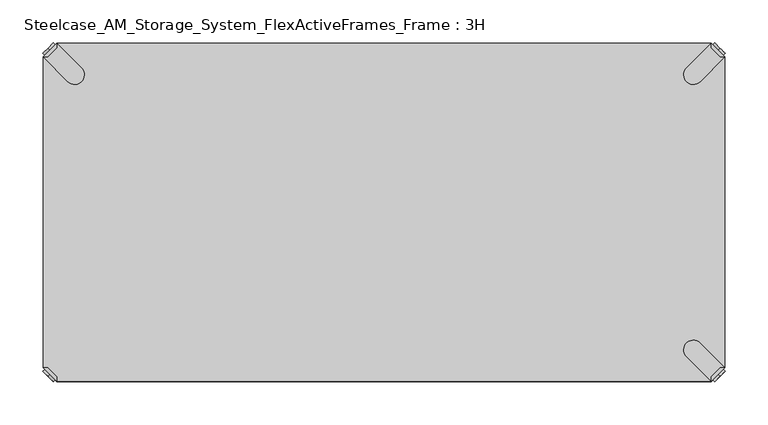
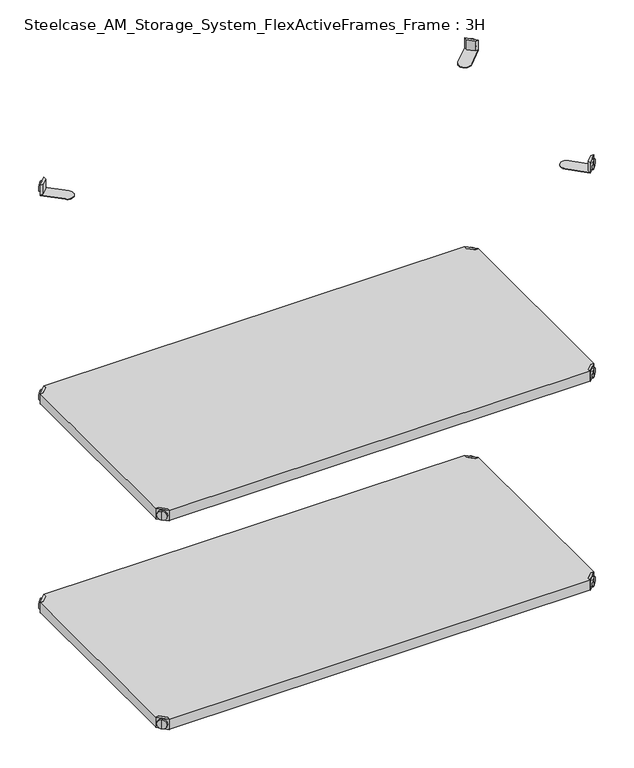
"""IFC4 building model written with IfcOpenShell, lengths in millimetres: furniture geometry, Steelcase_AM_Storage_System_FlexActiveFrames_Frame : 3H."""

from ifc_helpers import new_model, si_unit, frame, origin, place, context, project, spatial, polyline, circle_curve, outline, extrude, source, transform, mapped, element, save
from ifc_brep_helpers import plane_surface, cylinder_surface, advanced_brep


def steelcase_am_storage_system_flexactiveframes_frame_3h_a731c9b2(model_context):
    return source(origin(), model_context, "Body", "SolidModel", [
        advanced_brep(
        [(789.0398449, 10.9601551, 498.5), (789.0398449, 10.9601551, 515.5), (789.0398449, 10.9601551, 507.0), (791.1611652, 8.8388348, 498.5), (791.1611652, 8.8388348, 515.5), (791.1611652, 8.8388348, 507.0)],
        [
            (0, 1, circle_curve(frame((789.0398449, 10.9601551, 507.0), z_axis=(-0.7071067811865556, 0.7071067811865395, 0.0), x_axis=(0.0, 0.0, 1.0)), 8.5)),
            (1, 2),
            (2, 0),
            (1, 0, circle_curve(frame((789.0398449, 10.9601551, 507.0), z_axis=(-0.7071067811865556, 0.7071067811865395, 0.0), x_axis=(0.0, 0.0, 1.0)), 8.5)),
            (3, 4, circle_curve(frame((791.1611652, 8.8388348, 507.0), z_axis=(-0.7071067811865556, 0.7071067811865395, 0.0), x_axis=(0.0, 0.0, 1.0)), 8.5)),
            (4, 1),
            (0, 3),
            (4, 3, circle_curve(frame((791.1611652, 8.8388348, 507.0), z_axis=(-0.7071067811865556, 0.7071067811865395, 0.0), x_axis=(0.0, 0.0, 1.0)), 8.5)),
            (5, 4),
            (3, 5),
        ],
        [
            plane_surface(frame((789.0398449, 10.9601551, 507.0), z_axis=(-0.7071067811865552, 0.7071067811865399, 0.0), x_axis=(0.0, 0.0, 1.0))),
            cylinder_surface(frame((791.1611652, 8.8388348, 507.0), z_axis=(0.7071067811865556, -0.7071067811865395, 0.0), x_axis=(0.0, 0.0, 1.0)), 8.5),
            plane_surface(frame((791.1611652, 8.8388348, 507.0), z_axis=(0.7071067811865552, -0.7071067811865399, 0.0), x_axis=(0.0, 0.0, 1.0))),
        ],
        [
            (0, [[1, 2, 3]]),
            (0, [[4, -3, -2]]),
            (1, [[5, 6, -1, 7]]),
            (1, [[8, -7, -4, -6]]),
            (2, [[9, -5, 10]]),
            (2, [[-10, -8, -9]]),
        ],
    ),
        advanced_brep(
        [(781.0796898, 3.0, 517.0), (797.0, 18.9203102, 517.0), (791.3431458, 18.9203102, 517.0), (781.0796898, 8.6568542, 517.0), (781.0796898, 3.0, 498.0), (781.0796898, 3.0, 497.0), (797.0, 18.9203102, 497.0), (797.0, 18.9203102, 498.0), (791.3431458, 18.9203102, 498.0), (781.0796898, 8.6568542, 498.0), (768.1906025, 47.7297077, 498.0), (752.2702923, 31.8093975, 498.0), (752.2702923, 31.8093975, 497.0), (768.1906025, 47.7297077, 497.0)],
        [
            (0, 1),
            (1, 2),
            (2, 3),
            (3, 0),
            (0, 4),
            (4, 5),
            (5, 6),
            (6, 7),
            (7, 1),
            (2, 8),
            (8, 9),
            (9, 3),
            (9, 4),
            (7, 8),
            (7, 10),
            (10, 11, circle_curve(frame((760.2304474, 39.7695526, 498.0), z_axis=(0.0, 0.0, 1.0), x_axis=(-1.0, 0.0, 0.0)), 11.2573593)),
            (11, 4),
            (5, 12),
            (12, 13, circle_curve(frame((760.2304474, 39.7695526, 497.0), z_axis=(0.0, 0.0, -1.0), x_axis=(-1.0, 0.0, 0.0)), 11.2573593)),
            (13, 6),
            (13, 10),
            (12, 11),
        ],
        [
            plane_surface(frame((838.8756299, 60.7959401, 517.0), z_axis=(0.0, 0.0, 1.0000000000000002), x_axis=(0.7071067811865465, 0.7071067811865487, 0.0))),
            plane_surface(frame((781.0796898, 3.0, 517.0), z_axis=(0.7071067811865487, -0.7071067811865465, 0.0), x_axis=(0.0, 0.0, -1.0))),
            plane_surface(frame((791.3431458, 18.9203102, 517.0), z_axis=(-0.7071067811865573, 0.7071067811865377, 0.0), x_axis=(0.0, 0.0, -1.0))),
            plane_surface(frame((781.0796898, 8.6568542, 517.0), z_axis=(-1.0, 0.0, 0.0), x_axis=(0.0, 0.0, -1.0))),
            plane_surface(frame((797.0, 18.9203102, 517.0), z_axis=(0.0, 1.0, 0.0), x_axis=(0.0, 0.0, -1.0))),
            plane_surface(frame((797.0, 18.9203102, 498.0), z_axis=(0.0, 0.0, 1.0), x_axis=(0.7071067811865392, 0.7071067811865558, 0.0))),
            plane_surface(frame((797.0, 18.9203102, 497.0), z_axis=(0.0, 0.0, -1.0), x_axis=(-0.7071067811865392, -0.7071067811865558, 0.0))),
            plane_surface(frame((797.0, 18.9203102, 498.0), z_axis=(0.7071067811865399, 0.7071067811865552, 0.0), x_axis=(0.0, 0.0, -1.0))),
            cylinder_surface(frame((760.2304474, 39.7695526, 497.0), z_axis=(0.0, 0.0, 1.0), x_axis=(-1.0, 0.0, 0.0)), 11.2573593),
            plane_surface(frame((752.2702923, 31.8093975, 498.0), z_axis=(-0.7071067811865388, -0.7071067811865563, 0.0), x_axis=(0.0, 0.0, -1.0))),
        ],
        [
            (0, [[1, 2, 3, 4]]),
            (1, [[-1, 5, 6, 7, 8, 9]]),
            (2, [[-3, 10, 11, 12]]),
            (3, [[-4, -12, 13, -5]]),
            (4, [[-2, -9, 14, -10]]),
            (5, [[15, 16, 17, -13, -11, -14]]),
            (6, [[18, 19, 20, -7]]),
            (7, [[-15, -8, -20, 21]]),
            (8, [[-16, -21, -19, 22]]),
            (9, [[-17, -22, -18, -6]]),
        ],
    ),
        advanced_brep(
        [(789.0398449, 389.0398449, 498.5), (789.0398449, 389.0398449, 507.0), (789.0398449, 389.0398449, 515.5), (791.1611652, 391.1611652, 498.5), (791.1611652, 391.1611652, 515.5), (791.1611652, 391.1611652, 507.0)],
        [
            (0, 1),
            (1, 2),
            (2, 0, circle_curve(frame((789.0398449, 389.0398449, 507.0), z_axis=(-0.7071067811865509, -0.7071067811865441, 0.0), x_axis=(0.0, 0.0, 1.0)), 8.5)),
            (0, 2, circle_curve(frame((789.0398449, 389.0398449, 507.0), z_axis=(-0.7071067811865509, -0.7071067811865441, 0.0), x_axis=(0.0, 0.0, 1.0)), 8.5)),
            (3, 0),
            (2, 4),
            (4, 3, circle_curve(frame((791.1611652, 391.1611652, 507.0), z_axis=(-0.7071067811865509, -0.7071067811865441, 0.0), x_axis=(0.0, 0.0, 1.0)), 8.5)),
            (3, 4, circle_curve(frame((791.1611652, 391.1611652, 507.0), z_axis=(-0.7071067811865509, -0.7071067811865441, 0.0), x_axis=(0.0, 0.0, 1.0)), 8.5)),
            (5, 3),
            (4, 5),
        ],
        [
            plane_surface(frame((789.0398449, 389.0398449, 507.0), z_axis=(-0.7071067811865506, -0.7071067811865446, 0.0), x_axis=(0.0, 0.0, 1.0))),
            cylinder_surface(frame((791.1611652, 391.1611652, 507.0), z_axis=(0.7071067811865509, 0.7071067811865441, 0.0), x_axis=(0.0, 0.0, 1.0)), 8.5),
            plane_surface(frame((791.1611652, 391.1611652, 507.0), z_axis=(0.7071067811865506, 0.7071067811865446, 0.0), x_axis=(0.0, 0.0, 1.0))),
        ],
        [
            (0, [[1, 2, 3]]),
            (0, [[-2, -1, 4]]),
            (1, [[5, -3, 6, 7]]),
            (1, [[-6, -4, -5, 8]]),
            (2, [[9, -7, 10]]),
            (2, [[-10, -8, -9]]),
        ],
    ),
        advanced_brep(
        [(781.0796898, 397.0, 517.0), (781.0796898, 391.3431458, 517.0), (791.3431458, 381.0796898, 517.0), (797.0, 381.0796898, 517.0), (797.0, 381.0796898, 498.0), (797.0, 381.0796898, 497.0), (781.0796898, 397.0, 497.0), (781.0796898, 397.0, 498.0), (781.0796898, 391.3431458, 498.0), (791.3431458, 381.0796898, 498.0), (752.2702923, 368.1906025, 498.0), (768.1906025, 352.2702923, 498.0), (768.1906025, 352.2702923, 497.0), (752.2702923, 368.1906025, 497.0)],
        [
            (0, 1),
            (1, 2),
            (2, 3),
            (3, 0),
            (3, 4),
            (4, 5),
            (5, 6),
            (6, 7),
            (7, 0),
            (1, 8),
            (8, 9),
            (9, 2),
            (7, 8),
            (9, 4),
            (7, 10),
            (10, 11, circle_curve(frame((760.2304474, 360.2304474, 498.0), z_axis=(0.0, 0.0, 1.0), x_axis=(-1.0, 0.0, 0.0)), 11.2573593)),
            (11, 4),
            (5, 12),
            (12, 13, circle_curve(frame((760.2304474, 360.2304474, 497.0), z_axis=(0.0, 0.0, -1.0), x_axis=(-1.0, 0.0, 0.0)), 11.2573593)),
            (13, 6),
            (11, 12),
            (10, 13),
        ],
        [
            plane_surface(frame((838.8756299, 339.2040599, 517.0), z_axis=(0.0, 0.0, 1.0000000000000002), x_axis=(0.7071067811865511, -0.707106781186544, 0.0))),
            plane_surface(frame((781.0796898, 397.0, 517.0), z_axis=(0.707106781186544, 0.7071067811865511, 0.0), x_axis=(0.0, 0.0, -1.0))),
            plane_surface(frame((791.3431458, 381.0796898, 517.0), z_axis=(-0.7071067811865527, -0.7071067811865424, 0.0), x_axis=(0.0, 0.0, -1.0))),
            plane_surface(frame((781.0796898, 391.3431458, 517.0), z_axis=(-1.0, 0.0, 0.0), x_axis=(0.0, 0.0, -1.0))),
            plane_surface(frame((797.0, 381.0796898, 517.0), z_axis=(0.0, -1.0, 0.0), x_axis=(0.0, 0.0, -1.0))),
            plane_surface(frame((797.0, 381.0796898, 498.0), z_axis=(0.0, 0.0, 1.0), x_axis=(0.7071067811865439, -0.7071067811865511, 0.0))),
            plane_surface(frame((797.0, 381.0796898, 497.0), z_axis=(0.0, 0.0, -1.0), x_axis=(-0.7071067811865439, 0.7071067811865511, 0.0))),
            plane_surface(frame((797.0, 381.0796898, 498.0), z_axis=(0.7071067811865446, -0.7071067811865506, 0.0), x_axis=(0.0, 0.0, -1.0))),
            cylinder_surface(frame((760.2304474, 360.2304474, 497.0), z_axis=(0.0, 0.0, 1.0), x_axis=(-1.0, 0.0, 0.0)), 11.2573593),
            plane_surface(frame((752.2702923, 368.1906025, 498.0), z_axis=(-0.7071067811865435, 0.7071067811865517, 0.0), x_axis=(0.0, 0.0, -1.0))),
        ],
        [
            (0, [[1, 2, 3, 4]]),
            (1, [[5, 6, 7, 8, 9, -4]]),
            (2, [[10, 11, 12, -2]]),
            (3, [[-9, 13, -10, -1]]),
            (4, [[-12, 14, -5, -3]]),
            (5, [[-14, -11, -13, 15, 16, 17]]),
            (6, [[-7, 18, 19, 20]]),
            (7, [[21, -18, -6, -17]]),
            (8, [[22, -19, -21, -16]]),
            (9, [[-8, -20, -22, -15]]),
        ],
    ),
        advanced_brep(
        [(10.9601551, 389.0398449, 498.5), (10.9601551, 389.0398449, 515.5), (10.9601551, 389.0398449, 507.0), (8.8388348, 391.1611652, 498.5), (8.8388348, 391.1611652, 515.5), (8.8388348, 391.1611652, 507.0)],
        [
            (0, 1, circle_curve(frame((10.9601551, 389.0398449, 507.0), z_axis=(0.7071067811865509, -0.7071067811865441, 0.0), x_axis=(0.0, 0.0, 1.0)), 8.5)),
            (1, 2),
            (2, 0),
            (1, 0, circle_curve(frame((10.9601551, 389.0398449, 507.0), z_axis=(0.7071067811865509, -0.7071067811865441, 0.0), x_axis=(0.0, 0.0, 1.0)), 8.5)),
            (3, 4, circle_curve(frame((8.8388348, 391.1611652, 507.0), z_axis=(0.7071067811865509, -0.7071067811865441, 0.0), x_axis=(0.0, 0.0, 1.0)), 8.5)),
            (4, 1),
            (0, 3),
            (4, 3, circle_curve(frame((8.8388348, 391.1611652, 507.0), z_axis=(0.7071067811865509, -0.7071067811865441, 0.0), x_axis=(0.0, 0.0, 1.0)), 8.5)),
            (5, 4),
            (3, 5),
        ],
        [
            plane_surface(frame((10.9601551, 389.0398449, 507.0), z_axis=(0.7071067811865506, -0.7071067811865446, 0.0), x_axis=(0.0, 0.0, 1.0))),
            cylinder_surface(frame((8.8388348, 391.1611652, 507.0), z_axis=(-0.7071067811865509, 0.7071067811865441, 0.0), x_axis=(0.0, 0.0, 1.0)), 8.5),
            plane_surface(frame((8.8388348, 391.1611652, 507.0), z_axis=(-0.7071067811865506, 0.7071067811865446, 0.0), x_axis=(0.0, 0.0, 1.0))),
        ],
        [
            (0, [[1, 2, 3]]),
            (0, [[4, -3, -2]]),
            (1, [[5, 6, -1, 7]]),
            (1, [[8, -7, -4, -6]]),
            (2, [[9, -5, 10]]),
            (2, [[-10, -8, -9]]),
        ],
    ),
        advanced_brep(
        [(18.9203102, 397.0, 517.0), (3.0, 381.0796898, 517.0), (8.6568542, 381.0796898, 517.0), (18.9203102, 391.3431458, 517.0), (18.9203102, 397.0, 498.0), (18.9203102, 397.0, 497.0), (3.0, 381.0796898, 497.0), (3.0, 381.0796898, 498.0), (8.6568542, 381.0796898, 498.0), (18.9203102, 391.3431458, 498.0), (31.8093975, 352.2702923, 498.0), (47.7297077, 368.1906025, 498.0), (47.7297077, 368.1906025, 497.0), (31.8093975, 352.2702923, 497.0)],
        [
            (0, 1),
            (1, 2),
            (2, 3),
            (3, 0),
            (0, 4),
            (4, 5),
            (5, 6),
            (6, 7),
            (7, 1),
            (2, 8),
            (8, 9),
            (9, 3),
            (9, 4),
            (7, 8),
            (7, 10),
            (10, 11, circle_curve(frame((39.7695526, 360.2304474, 498.0), z_axis=(0.0, 0.0, 1.0), x_axis=(1.0, 0.0, 0.0)), 11.2573593)),
            (11, 4),
            (5, 12),
            (12, 13, circle_curve(frame((39.7695526, 360.2304474, 497.0), z_axis=(0.0, 0.0, -1.0), x_axis=(1.0, 0.0, 0.0)), 11.2573593)),
            (13, 6),
            (13, 10),
            (12, 11),
        ],
        [
            plane_surface(frame((-38.8756299, 339.2040599, 517.0), z_axis=(0.0, 0.0, 1.0000000000000002), x_axis=(-0.7071067811865511, -0.707106781186544, 0.0))),
            plane_surface(frame((18.9203102, 397.0, 517.0), z_axis=(-0.707106781186544, 0.7071067811865511, 0.0), x_axis=(0.0, 0.0, -1.0))),
            plane_surface(frame((8.6568542, 381.0796898, 517.0), z_axis=(0.7071067811865527, -0.7071067811865424, 0.0), x_axis=(0.0, 0.0, -1.0))),
            plane_surface(frame((18.9203102, 391.3431458, 517.0), z_axis=(1.0, 0.0, 0.0), x_axis=(0.0, 0.0, -1.0))),
            plane_surface(frame((3.0, 381.0796898, 517.0), z_axis=(0.0, -1.0, 0.0), x_axis=(0.0, 0.0, -1.0))),
            plane_surface(frame((3.0, 381.0796898, 498.0), z_axis=(0.0, 0.0, 1.0), x_axis=(-0.7071067811865439, -0.7071067811865511, 0.0))),
            plane_surface(frame((3.0, 381.0796898, 497.0), z_axis=(0.0, 0.0, -1.0), x_axis=(0.7071067811865439, 0.7071067811865511, 0.0))),
            plane_surface(frame((3.0, 381.0796898, 498.0), z_axis=(-0.7071067811865446, -0.7071067811865506, 0.0), x_axis=(0.0, 0.0, -1.0))),
            cylinder_surface(frame((39.7695526, 360.2304474, 497.0), z_axis=(0.0, 0.0, 1.0), x_axis=(1.0, 0.0, 0.0)), 11.2573593),
            plane_surface(frame((47.7297077, 368.1906025, 498.0), z_axis=(0.7071067811865435, 0.7071067811865517, 0.0), x_axis=(0.0, 0.0, -1.0))),
        ],
        [
            (0, [[1, 2, 3, 4]]),
            (1, [[-1, 5, 6, 7, 8, 9]]),
            (2, [[-3, 10, 11, 12]]),
            (3, [[-4, -12, 13, -5]]),
            (4, [[-2, -9, 14, -10]]),
            (5, [[15, 16, 17, -13, -11, -14]]),
            (6, [[18, 19, 20, -7]]),
            (7, [[-15, -8, -20, 21]]),
            (8, [[-16, -21, -19, 22]]),
            (9, [[-17, -22, -18, -6]]),
        ],
    ),
        advanced_brep(
        [(10.9601551, 10.9601551, 498.5), (10.9601551, 10.9601551, 507.0), (10.9601551, 10.9601551, 515.5), (8.8388348, 8.8388348, 498.5), (8.8388348, 8.8388348, 515.5), (8.8388348, 8.8388348, 507.0)],
        [
            (0, 1),
            (1, 2),
            (2, 0, circle_curve(frame((10.9601551, 10.9601551, 507.0), z_axis=(0.7071067811865464, 0.7071067811865487, 0.0), x_axis=(0.0, 0.0, 1.0)), 8.5)),
            (0, 2, circle_curve(frame((10.9601551, 10.9601551, 507.0), z_axis=(0.7071067811865464, 0.7071067811865487, 0.0), x_axis=(0.0, 0.0, 1.0)), 8.5)),
            (3, 0),
            (2, 4),
            (4, 3, circle_curve(frame((8.8388348, 8.8388348, 507.0), z_axis=(0.7071067811865464, 0.7071067811865487, 0.0), x_axis=(0.0, 0.0, 1.0)), 8.5)),
            (3, 4, circle_curve(frame((8.8388348, 8.8388348, 507.0), z_axis=(0.7071067811865464, 0.7071067811865487, 0.0), x_axis=(0.0, 0.0, 1.0)), 8.5)),
            (5, 3),
            (4, 5),
        ],
        [
            plane_surface(frame((10.9601551, 10.9601551, 507.0), z_axis=(0.707106781186546, 0.7071067811865491, 0.0), x_axis=(0.0, 0.0, 1.0))),
            cylinder_surface(frame((8.8388348, 8.8388348, 507.0), z_axis=(-0.7071067811865464, -0.7071067811865487, 0.0), x_axis=(0.0, 0.0, 1.0)), 8.5),
            plane_surface(frame((8.8388348, 8.8388348, 507.0), z_axis=(-0.707106781186546, -0.7071067811865491, 0.0), x_axis=(0.0, 0.0, 1.0))),
        ],
        [
            (0, [[1, 2, 3]]),
            (0, [[-2, -1, 4]]),
            (1, [[5, -3, 6, 7]]),
            (1, [[-6, -4, -5, 8]]),
            (2, [[9, -7, 10]]),
            (2, [[-10, -8, -9]]),
        ],
    ),
        advanced_brep(
        [(18.9203102, 3.0, 517.0), (18.9203102, 8.6568542, 517.0), (8.6568542, 18.9203102, 517.0), (3.0, 18.9203102, 517.0), (3.0, 18.9203102, 498.0), (3.0, 18.9203102, 497.0), (18.9203102, 3.0, 497.0), (18.9203102, 3.0, 498.0), (18.9203102, 8.6568542, 498.0), (8.6568542, 18.9203102, 498.0), (47.7297077, 31.8093975, 498.0), (31.8093975, 47.7297077, 498.0), (31.8093975, 47.7297077, 497.0), (47.7297077, 31.8093975, 497.0)],
        [
            (0, 1),
            (1, 2),
            (2, 3),
            (3, 0),
            (3, 4),
            (4, 5),
            (5, 6),
            (6, 7),
            (7, 0),
            (1, 8),
            (8, 9),
            (9, 2),
            (7, 8),
            (9, 4),
            (7, 10),
            (10, 11, circle_curve(frame((39.7695526, 39.7695526, 498.0), z_axis=(0.0, 0.0, 1.0), x_axis=(1.0, 0.0, 0.0)), 11.2573593)),
            (11, 4),
            (5, 12),
            (12, 13, circle_curve(frame((39.7695526, 39.7695526, 497.0), z_axis=(0.0, 0.0, -1.0), x_axis=(1.0, 0.0, 0.0)), 11.2573593)),
            (13, 6),
            (11, 12),
            (10, 13),
        ],
        [
            plane_surface(frame((-38.8756299, 60.7959401, 517.0), z_axis=(0.0, 0.0, 1.0000000000000002), x_axis=(-0.7071067811865557, 0.7071067811865395, 0.0))),
            plane_surface(frame((18.9203102, 3.0, 517.0), z_axis=(-0.7071067811865395, -0.7071067811865557, 0.0), x_axis=(0.0, 0.0, -1.0))),
            plane_surface(frame((8.6568542, 18.9203102, 517.0), z_axis=(0.7071067811865481, 0.7071067811865469, 0.0), x_axis=(0.0, 0.0, -1.0))),
            plane_surface(frame((18.9203102, 8.6568542, 517.0), z_axis=(1.0, 0.0, 0.0), x_axis=(0.0, 0.0, -1.0))),
            plane_surface(frame((3.0, 18.9203102, 517.0), z_axis=(0.0, 1.0, 0.0), x_axis=(0.0, 0.0, -1.0))),
            plane_surface(frame((3.0, 18.9203102, 498.0), z_axis=(0.0, 0.0, 1.0), x_axis=(-0.7071067811865485, 0.7071067811865466, 0.0))),
            plane_surface(frame((3.0, 18.9203102, 497.0), z_axis=(0.0, 0.0, -1.0), x_axis=(0.7071067811865485, -0.7071067811865466, 0.0))),
            plane_surface(frame((3.0, 18.9203102, 498.0), z_axis=(-0.7071067811865491, 0.707106781186546, 0.0), x_axis=(0.0, 0.0, -1.0))),
            cylinder_surface(frame((39.7695526, 39.7695526, 497.0), z_axis=(0.0, 0.0, 1.0), x_axis=(1.0, 0.0, 0.0)), 11.2573593),
            plane_surface(frame((47.7297077, 31.8093975, 498.0), z_axis=(0.707106781186548, -0.7071067811865471, 0.0), x_axis=(0.0, 0.0, -1.0))),
        ],
        [
            (0, [[1, 2, 3, 4]]),
            (1, [[5, 6, 7, 8, 9, -4]]),
            (2, [[10, 11, 12, -2]]),
            (3, [[-9, 13, -10, -1]]),
            (4, [[-12, 14, -5, -3]]),
            (5, [[-14, -11, -13, 15, 16, 17]]),
            (6, [[-7, 18, 19, 20]]),
            (7, [[21, -18, -6, -17]]),
            (8, [[22, -19, -21, -16]]),
            (9, [[-8, -20, -22, -15]]),
        ],
    ),
        extrude(outline(polyline([(781.0796898, 3.0), (18.9203102, 3.0), (18.9203102, 8.6568542), (8.6568542, 18.9203102), (3.0, 18.9203102), (3.0, 381.0796898), (8.6568542, 381.0796898), (18.9203102, 391.3431458), (18.9203102, 397.0), (781.0796898, 397.0), (781.0796898, 391.3431458), (791.3431458, 381.0796898), (797.0, 381.0796898), (797.0, 18.9203102), (791.3431458, 18.9203102), (781.0796898, 8.6568542), (781.0796898, 3.0)])), frame((0.0, 0.0, 498.0), z_axis=(0.0, 0.0, 1.0), x_axis=(1.0, 0.0, 0.0)), (0.0, 0.0, 1.0), 19.0),
        advanced_brep(
        [(789.0398449, 10.9601551, 898.5), (789.0398449, 10.9601551, 915.5), (789.0398449, 10.9601551, 907.0), (791.1611652, 8.8388348, 898.5), (791.1611652, 8.8388348, 915.5), (791.1611652, 8.8388348, 907.0)],
        [
            (0, 1, circle_curve(frame((789.0398449, 10.9601551, 907.0), z_axis=(-0.7071067811865556, 0.7071067811865395, 0.0), x_axis=(0.0, 0.0, 1.0)), 8.5)),
            (1, 2),
            (2, 0),
            (1, 0, circle_curve(frame((789.0398449, 10.9601551, 907.0), z_axis=(-0.7071067811865556, 0.7071067811865395, 0.0), x_axis=(0.0, 0.0, 1.0)), 8.5)),
            (3, 4, circle_curve(frame((791.1611652, 8.8388348, 907.0), z_axis=(-0.7071067811865556, 0.7071067811865395, 0.0), x_axis=(0.0, 0.0, 1.0)), 8.5)),
            (4, 1),
            (0, 3),
            (4, 3, circle_curve(frame((791.1611652, 8.8388348, 907.0), z_axis=(-0.7071067811865556, 0.7071067811865395, 0.0), x_axis=(0.0, 0.0, 1.0)), 8.5)),
            (5, 4),
            (3, 5),
        ],
        [
            plane_surface(frame((789.0398449, 10.9601551, 907.0), z_axis=(-0.7071067811865552, 0.7071067811865399, 0.0), x_axis=(0.0, 0.0, 1.0))),
            cylinder_surface(frame((791.1611652, 8.8388348, 907.0), z_axis=(0.7071067811865556, -0.7071067811865395, 0.0), x_axis=(0.0, 0.0, 1.0)), 8.5),
            plane_surface(frame((791.1611652, 8.8388348, 907.0), z_axis=(0.7071067811865552, -0.7071067811865399, 0.0), x_axis=(0.0, 0.0, 1.0))),
        ],
        [
            (0, [[1, 2, 3]]),
            (0, [[4, -3, -2]]),
            (1, [[5, 6, -1, 7]]),
            (1, [[8, -7, -4, -6]]),
            (2, [[9, -5, 10]]),
            (2, [[-10, -8, -9]]),
        ],
    ),
        advanced_brep(
        [(781.0796898, 3.0, 917.0), (797.0, 18.9203102, 917.0), (791.3431458, 18.9203102, 917.0), (781.0796898, 8.6568542, 917.0), (781.0796898, 3.0, 898.0), (781.0796898, 3.0, 897.0), (797.0, 18.9203102, 897.0), (797.0, 18.9203102, 898.0), (791.3431458, 18.9203102, 898.0), (781.0796898, 8.6568542, 898.0), (768.1906025, 47.7297077, 898.0), (752.2702923, 31.8093975, 898.0), (752.2702923, 31.8093975, 897.0), (768.1906025, 47.7297077, 897.0)],
        [
            (0, 1),
            (1, 2),
            (2, 3),
            (3, 0),
            (0, 4),
            (4, 5),
            (5, 6),
            (6, 7),
            (7, 1),
            (2, 8),
            (8, 9),
            (9, 3),
            (9, 4),
            (7, 8),
            (7, 10),
            (10, 11, circle_curve(frame((760.2304474, 39.7695526, 898.0), z_axis=(0.0, 0.0, 1.0), x_axis=(-1.0, 0.0, 0.0)), 11.2573593)),
            (11, 4),
            (5, 12),
            (12, 13, circle_curve(frame((760.2304474, 39.7695526, 897.0), z_axis=(0.0, 0.0, -1.0), x_axis=(-1.0, 0.0, 0.0)), 11.2573593)),
            (13, 6),
            (13, 10),
            (12, 11),
        ],
        [
            plane_surface(frame((838.8756299, 60.7959401, 917.0), z_axis=(0.0, 0.0, 1.0000000000000002), x_axis=(0.7071067811865465, 0.7071067811865487, 0.0))),
            plane_surface(frame((781.0796898, 3.0, 917.0), z_axis=(0.7071067811865487, -0.7071067811865465, 0.0), x_axis=(0.0, 0.0, -1.0))),
            plane_surface(frame((791.3431458, 18.9203102, 917.0), z_axis=(-0.7071067811865573, 0.7071067811865377, 0.0), x_axis=(0.0, 0.0, -1.0))),
            plane_surface(frame((781.0796898, 8.6568542, 917.0), z_axis=(-1.0, 0.0, 0.0), x_axis=(0.0, 0.0, -1.0))),
            plane_surface(frame((797.0, 18.9203102, 917.0), z_axis=(0.0, 1.0, 0.0), x_axis=(0.0, 0.0, -1.0))),
            plane_surface(frame((797.0, 18.9203102, 898.0), z_axis=(0.0, 0.0, 1.0), x_axis=(0.7071067811865392, 0.7071067811865558, 0.0))),
            plane_surface(frame((797.0, 18.9203102, 897.0), z_axis=(0.0, 0.0, -1.0), x_axis=(-0.7071067811865392, -0.7071067811865558, 0.0))),
            plane_surface(frame((797.0, 18.9203102, 898.0), z_axis=(0.7071067811865399, 0.7071067811865552, 0.0), x_axis=(0.0, 0.0, -1.0))),
            cylinder_surface(frame((760.2304474, 39.7695526, 897.0), z_axis=(0.0, 0.0, 1.0), x_axis=(-1.0, 0.0, 0.0)), 11.2573593),
            plane_surface(frame((752.2702923, 31.8093975, 898.0), z_axis=(-0.7071067811865388, -0.7071067811865563, 0.0), x_axis=(0.0, 0.0, -1.0))),
        ],
        [
            (0, [[1, 2, 3, 4]]),
            (1, [[-1, 5, 6, 7, 8, 9]]),
            (2, [[-3, 10, 11, 12]]),
            (3, [[-4, -12, 13, -5]]),
            (4, [[-2, -9, 14, -10]]),
            (5, [[15, 16, 17, -13, -11, -14]]),
            (6, [[18, 19, 20, -7]]),
            (7, [[-15, -8, -20, 21]]),
            (8, [[-16, -21, -19, 22]]),
            (9, [[-17, -22, -18, -6]]),
        ],
    ),
        advanced_brep(
        [(789.0398449, 389.0398449, 898.5), (789.0398449, 389.0398449, 907.0), (789.0398449, 389.0398449, 915.5), (791.1611652, 391.1611652, 898.5), (791.1611652, 391.1611652, 915.5), (791.1611652, 391.1611652, 907.0)],
        [
            (0, 1),
            (1, 2),
            (2, 0, circle_curve(frame((789.0398449, 389.0398449, 907.0), z_axis=(-0.7071067811865509, -0.7071067811865441, 0.0), x_axis=(0.0, 0.0, 1.0)), 8.5)),
            (0, 2, circle_curve(frame((789.0398449, 389.0398449, 907.0), z_axis=(-0.7071067811865509, -0.7071067811865441, 0.0), x_axis=(0.0, 0.0, 1.0)), 8.5)),
            (3, 0),
            (2, 4),
            (4, 3, circle_curve(frame((791.1611652, 391.1611652, 907.0), z_axis=(-0.7071067811865509, -0.7071067811865441, 0.0), x_axis=(0.0, 0.0, 1.0)), 8.5)),
            (3, 4, circle_curve(frame((791.1611652, 391.1611652, 907.0), z_axis=(-0.7071067811865509, -0.7071067811865441, 0.0), x_axis=(0.0, 0.0, 1.0)), 8.5)),
            (5, 3),
            (4, 5),
        ],
        [
            plane_surface(frame((789.0398449, 389.0398449, 907.0), z_axis=(-0.7071067811865506, -0.7071067811865446, 0.0), x_axis=(0.0, 0.0, 1.0))),
            cylinder_surface(frame((791.1611652, 391.1611652, 907.0), z_axis=(0.7071067811865509, 0.7071067811865441, 0.0), x_axis=(0.0, 0.0, 1.0)), 8.5),
            plane_surface(frame((791.1611652, 391.1611652, 907.0), z_axis=(0.7071067811865506, 0.7071067811865446, 0.0), x_axis=(0.0, 0.0, 1.0))),
        ],
        [
            (0, [[1, 2, 3]]),
            (0, [[-2, -1, 4]]),
            (1, [[5, -3, 6, 7]]),
            (1, [[-6, -4, -5, 8]]),
            (2, [[9, -7, 10]]),
            (2, [[-10, -8, -9]]),
        ],
    ),
        advanced_brep(
        [(781.0796898, 397.0, 917.0), (781.0796898, 391.3431458, 917.0), (791.3431458, 381.0796898, 917.0), (797.0, 381.0796898, 917.0), (797.0, 381.0796898, 898.0), (797.0, 381.0796898, 897.0), (781.0796898, 397.0, 897.0), (781.0796898, 397.0, 898.0), (781.0796898, 391.3431458, 898.0), (791.3431458, 381.0796898, 898.0), (752.2702923, 368.1906025, 898.0), (768.1906025, 352.2702923, 898.0), (768.1906025, 352.2702923, 897.0), (752.2702923, 368.1906025, 897.0)],
        [
            (0, 1),
            (1, 2),
            (2, 3),
            (3, 0),
            (3, 4),
            (4, 5),
            (5, 6),
            (6, 7),
            (7, 0),
            (1, 8),
            (8, 9),
            (9, 2),
            (7, 8),
            (9, 4),
            (7, 10),
            (10, 11, circle_curve(frame((760.2304474, 360.2304474, 898.0), z_axis=(0.0, 0.0, 1.0), x_axis=(-1.0, 0.0, 0.0)), 11.2573593)),
            (11, 4),
            (5, 12),
            (12, 13, circle_curve(frame((760.2304474, 360.2304474, 897.0), z_axis=(0.0, 0.0, -1.0), x_axis=(-1.0, 0.0, 0.0)), 11.2573593)),
            (13, 6),
            (11, 12),
            (10, 13),
        ],
        [
            plane_surface(frame((838.8756299, 339.2040599, 917.0), z_axis=(0.0, 0.0, 1.0000000000000002), x_axis=(0.7071067811865511, -0.707106781186544, 0.0))),
            plane_surface(frame((781.0796898, 397.0, 917.0), z_axis=(0.707106781186544, 0.7071067811865511, 0.0), x_axis=(0.0, 0.0, -1.0))),
            plane_surface(frame((791.3431458, 381.0796898, 917.0), z_axis=(-0.7071067811865527, -0.7071067811865424, 0.0), x_axis=(0.0, 0.0, -1.0))),
            plane_surface(frame((781.0796898, 391.3431458, 917.0), z_axis=(-1.0, 0.0, 0.0), x_axis=(0.0, 0.0, -1.0))),
            plane_surface(frame((797.0, 381.0796898, 917.0), z_axis=(0.0, -1.0, 0.0), x_axis=(0.0, 0.0, -1.0))),
            plane_surface(frame((797.0, 381.0796898, 898.0), z_axis=(0.0, 0.0, 1.0), x_axis=(0.7071067811865439, -0.7071067811865511, 0.0))),
            plane_surface(frame((797.0, 381.0796898, 897.0), z_axis=(0.0, 0.0, -1.0), x_axis=(-0.7071067811865439, 0.7071067811865511, 0.0))),
            plane_surface(frame((797.0, 381.0796898, 898.0), z_axis=(0.7071067811865446, -0.7071067811865506, 0.0), x_axis=(0.0, 0.0, -1.0))),
            cylinder_surface(frame((760.2304474, 360.2304474, 897.0), z_axis=(0.0, 0.0, 1.0), x_axis=(-1.0, 0.0, 0.0)), 11.2573593),
            plane_surface(frame((752.2702923, 368.1906025, 898.0), z_axis=(-0.7071067811865435, 0.7071067811865517, 0.0), x_axis=(0.0, 0.0, -1.0))),
        ],
        [
            (0, [[1, 2, 3, 4]]),
            (1, [[5, 6, 7, 8, 9, -4]]),
            (2, [[10, 11, 12, -2]]),
            (3, [[-9, 13, -10, -1]]),
            (4, [[-12, 14, -5, -3]]),
            (5, [[-14, -11, -13, 15, 16, 17]]),
            (6, [[-7, 18, 19, 20]]),
            (7, [[21, -18, -6, -17]]),
            (8, [[22, -19, -21, -16]]),
            (9, [[-8, -20, -22, -15]]),
        ],
    ),
        advanced_brep(
        [(10.9601551, 389.0398449, 898.5), (10.9601551, 389.0398449, 915.5), (10.9601551, 389.0398449, 907.0), (8.8388348, 391.1611652, 898.5), (8.8388348, 391.1611652, 915.5), (8.8388348, 391.1611652, 907.0)],
        [
            (0, 1, circle_curve(frame((10.9601551, 389.0398449, 907.0), z_axis=(0.7071067811865509, -0.7071067811865441, 0.0), x_axis=(0.0, 0.0, 1.0)), 8.5)),
            (1, 2),
            (2, 0),
            (1, 0, circle_curve(frame((10.9601551, 389.0398449, 907.0), z_axis=(0.7071067811865509, -0.7071067811865441, 0.0), x_axis=(0.0, 0.0, 1.0)), 8.5)),
            (3, 4, circle_curve(frame((8.8388348, 391.1611652, 907.0), z_axis=(0.7071067811865509, -0.7071067811865441, 0.0), x_axis=(0.0, 0.0, 1.0)), 8.5)),
            (4, 1),
            (0, 3),
            (4, 3, circle_curve(frame((8.8388348, 391.1611652, 907.0), z_axis=(0.7071067811865509, -0.7071067811865441, 0.0), x_axis=(0.0, 0.0, 1.0)), 8.5)),
            (5, 4),
            (3, 5),
        ],
        [
            plane_surface(frame((10.9601551, 389.0398449, 907.0), z_axis=(0.7071067811865506, -0.7071067811865446, 0.0), x_axis=(0.0, 0.0, 1.0))),
            cylinder_surface(frame((8.8388348, 391.1611652, 907.0), z_axis=(-0.7071067811865509, 0.7071067811865441, 0.0), x_axis=(0.0, 0.0, 1.0)), 8.5),
            plane_surface(frame((8.8388348, 391.1611652, 907.0), z_axis=(-0.7071067811865506, 0.7071067811865446, 0.0), x_axis=(0.0, 0.0, 1.0))),
        ],
        [
            (0, [[1, 2, 3]]),
            (0, [[4, -3, -2]]),
            (1, [[5, 6, -1, 7]]),
            (1, [[8, -7, -4, -6]]),
            (2, [[9, -5, 10]]),
            (2, [[-10, -8, -9]]),
        ],
    ),
        advanced_brep(
        [(18.9203102, 397.0, 917.0), (3.0, 381.0796898, 917.0), (8.6568542, 381.0796898, 917.0), (18.9203102, 391.3431458, 917.0), (18.9203102, 397.0, 898.0), (18.9203102, 397.0, 897.0), (3.0, 381.0796898, 897.0), (3.0, 381.0796898, 898.0), (8.6568542, 381.0796898, 898.0), (18.9203102, 391.3431458, 898.0), (31.8093975, 352.2702923, 898.0), (47.7297077, 368.1906025, 898.0), (47.7297077, 368.1906025, 897.0), (31.8093975, 352.2702923, 897.0)],
        [
            (0, 1),
            (1, 2),
            (2, 3),
            (3, 0),
            (0, 4),
            (4, 5),
            (5, 6),
            (6, 7),
            (7, 1),
            (2, 8),
            (8, 9),
            (9, 3),
            (9, 4),
            (7, 8),
            (7, 10),
            (10, 11, circle_curve(frame((39.7695526, 360.2304474, 898.0), z_axis=(0.0, 0.0, 1.0), x_axis=(1.0, 0.0, 0.0)), 11.2573593)),
            (11, 4),
            (5, 12),
            (12, 13, circle_curve(frame((39.7695526, 360.2304474, 897.0), z_axis=(0.0, 0.0, -1.0), x_axis=(1.0, 0.0, 0.0)), 11.2573593)),
            (13, 6),
            (13, 10),
            (12, 11),
        ],
        [
            plane_surface(frame((-38.8756299, 339.2040599, 917.0), z_axis=(0.0, 0.0, 1.0000000000000002), x_axis=(-0.7071067811865511, -0.707106781186544, 0.0))),
            plane_surface(frame((18.9203102, 397.0, 917.0), z_axis=(-0.707106781186544, 0.7071067811865511, 0.0), x_axis=(0.0, 0.0, -1.0))),
            plane_surface(frame((8.6568542, 381.0796898, 917.0), z_axis=(0.7071067811865527, -0.7071067811865424, 0.0), x_axis=(0.0, 0.0, -1.0))),
            plane_surface(frame((18.9203102, 391.3431458, 917.0), z_axis=(1.0, 0.0, 0.0), x_axis=(0.0, 0.0, -1.0))),
            plane_surface(frame((3.0, 381.0796898, 917.0), z_axis=(0.0, -1.0, 0.0), x_axis=(0.0, 0.0, -1.0))),
            plane_surface(frame((3.0, 381.0796898, 898.0), z_axis=(0.0, 0.0, 1.0), x_axis=(-0.7071067811865439, -0.7071067811865511, 0.0))),
            plane_surface(frame((3.0, 381.0796898, 897.0), z_axis=(0.0, 0.0, -1.0), x_axis=(0.7071067811865439, 0.7071067811865511, 0.0))),
            plane_surface(frame((3.0, 381.0796898, 898.0), z_axis=(-0.7071067811865446, -0.7071067811865506, 0.0), x_axis=(0.0, 0.0, -1.0))),
            cylinder_surface(frame((39.7695526, 360.2304474, 897.0), z_axis=(0.0, 0.0, 1.0), x_axis=(1.0, 0.0, 0.0)), 11.2573593),
            plane_surface(frame((47.7297077, 368.1906025, 898.0), z_axis=(0.7071067811865435, 0.7071067811865517, 0.0), x_axis=(0.0, 0.0, -1.0))),
        ],
        [
            (0, [[1, 2, 3, 4]]),
            (1, [[-1, 5, 6, 7, 8, 9]]),
            (2, [[-3, 10, 11, 12]]),
            (3, [[-4, -12, 13, -5]]),
            (4, [[-2, -9, 14, -10]]),
            (5, [[15, 16, 17, -13, -11, -14]]),
            (6, [[18, 19, 20, -7]]),
            (7, [[-15, -8, -20, 21]]),
            (8, [[-16, -21, -19, 22]]),
            (9, [[-17, -22, -18, -6]]),
        ],
    ),
        advanced_brep(
        [(10.9601551, 10.9601551, 898.5), (10.9601551, 10.9601551, 907.0), (10.9601551, 10.9601551, 915.5), (8.8388348, 8.8388348, 898.5), (8.8388348, 8.8388348, 915.5), (8.8388348, 8.8388348, 907.0)],
        [
            (0, 1),
            (1, 2),
            (2, 0, circle_curve(frame((10.9601551, 10.9601551, 907.0), z_axis=(0.7071067811865464, 0.7071067811865487, 0.0), x_axis=(0.0, 0.0, 1.0)), 8.5)),
            (0, 2, circle_curve(frame((10.9601551, 10.9601551, 907.0), z_axis=(0.7071067811865464, 0.7071067811865487, 0.0), x_axis=(0.0, 0.0, 1.0)), 8.5)),
            (3, 0),
            (2, 4),
            (4, 3, circle_curve(frame((8.8388348, 8.8388348, 907.0), z_axis=(0.7071067811865464, 0.7071067811865487, 0.0), x_axis=(0.0, 0.0, 1.0)), 8.5)),
            (3, 4, circle_curve(frame((8.8388348, 8.8388348, 907.0), z_axis=(0.7071067811865464, 0.7071067811865487, 0.0), x_axis=(0.0, 0.0, 1.0)), 8.5)),
            (5, 3),
            (4, 5),
        ],
        [
            plane_surface(frame((10.9601551, 10.9601551, 907.0), z_axis=(0.707106781186546, 0.7071067811865491, 0.0), x_axis=(0.0, 0.0, 1.0))),
            cylinder_surface(frame((8.8388348, 8.8388348, 907.0), z_axis=(-0.7071067811865464, -0.7071067811865487, 0.0), x_axis=(0.0, 0.0, 1.0)), 8.5),
            plane_surface(frame((8.8388348, 8.8388348, 907.0), z_axis=(-0.707106781186546, -0.7071067811865491, 0.0), x_axis=(0.0, 0.0, 1.0))),
        ],
        [
            (0, [[1, 2, 3]]),
            (0, [[-2, -1, 4]]),
            (1, [[5, -3, 6, 7]]),
            (1, [[-6, -4, -5, 8]]),
            (2, [[9, -7, 10]]),
            (2, [[-10, -8, -9]]),
        ],
    ),
        advanced_brep(
        [(18.9203102, 3.0, 917.0), (18.9203102, 8.6568542, 917.0), (8.6568542, 18.9203102, 917.0), (3.0, 18.9203102, 917.0), (3.0, 18.9203102, 898.0), (3.0, 18.9203102, 897.0), (18.9203102, 3.0, 897.0), (18.9203102, 3.0, 898.0), (18.9203102, 8.6568542, 898.0), (8.6568542, 18.9203102, 898.0), (47.7297077, 31.8093975, 898.0), (31.8093975, 47.7297077, 898.0), (31.8093975, 47.7297077, 897.0), (47.7297077, 31.8093975, 897.0)],
        [
            (0, 1),
            (1, 2),
            (2, 3),
            (3, 0),
            (3, 4),
            (4, 5),
            (5, 6),
            (6, 7),
            (7, 0),
            (1, 8),
            (8, 9),
            (9, 2),
            (7, 8),
            (9, 4),
            (7, 10),
            (10, 11, circle_curve(frame((39.7695526, 39.7695526, 898.0), z_axis=(0.0, 0.0, 1.0), x_axis=(1.0, 0.0, 0.0)), 11.2573593)),
            (11, 4),
            (5, 12),
            (12, 13, circle_curve(frame((39.7695526, 39.7695526, 897.0), z_axis=(0.0, 0.0, -1.0), x_axis=(1.0, 0.0, 0.0)), 11.2573593)),
            (13, 6),
            (11, 12),
            (10, 13),
        ],
        [
            plane_surface(frame((-38.8756299, 60.7959401, 917.0), z_axis=(0.0, 0.0, 1.0000000000000002), x_axis=(-0.7071067811865557, 0.7071067811865395, 0.0))),
            plane_surface(frame((18.9203102, 3.0, 917.0), z_axis=(-0.7071067811865395, -0.7071067811865557, 0.0), x_axis=(0.0, 0.0, -1.0))),
            plane_surface(frame((8.6568542, 18.9203102, 917.0), z_axis=(0.7071067811865481, 0.7071067811865469, 0.0), x_axis=(0.0, 0.0, -1.0))),
            plane_surface(frame((18.9203102, 8.6568542, 917.0), z_axis=(1.0, 0.0, 0.0), x_axis=(0.0, 0.0, -1.0))),
            plane_surface(frame((3.0, 18.9203102, 917.0), z_axis=(0.0, 1.0, 0.0), x_axis=(0.0, 0.0, -1.0))),
            plane_surface(frame((3.0, 18.9203102, 898.0), z_axis=(0.0, 0.0, 1.0), x_axis=(-0.7071067811865485, 0.7071067811865466, 0.0))),
            plane_surface(frame((3.0, 18.9203102, 897.0), z_axis=(0.0, 0.0, -1.0), x_axis=(0.7071067811865485, -0.7071067811865466, 0.0))),
            plane_surface(frame((3.0, 18.9203102, 898.0), z_axis=(-0.7071067811865491, 0.707106781186546, 0.0), x_axis=(0.0, 0.0, -1.0))),
            cylinder_surface(frame((39.7695526, 39.7695526, 897.0), z_axis=(0.0, 0.0, 1.0), x_axis=(1.0, 0.0, 0.0)), 11.2573593),
            plane_surface(frame((47.7297077, 31.8093975, 898.0), z_axis=(0.707106781186548, -0.7071067811865471, 0.0), x_axis=(0.0, 0.0, -1.0))),
        ],
        [
            (0, [[1, 2, 3, 4]]),
            (1, [[5, 6, 7, 8, 9, -4]]),
            (2, [[10, 11, 12, -2]]),
            (3, [[-9, 13, -10, -1]]),
            (4, [[-12, 14, -5, -3]]),
            (5, [[-14, -11, -13, 15, 16, 17]]),
            (6, [[-7, 18, 19, 20]]),
            (7, [[21, -18, -6, -17]]),
            (8, [[22, -19, -21, -16]]),
            (9, [[-8, -20, -22, -15]]),
        ],
    ),
        extrude(outline(polyline([(781.0796898, 3.0), (18.9203102, 3.0), (18.9203102, 8.6568542), (8.6568542, 18.9203102), (3.0, 18.9203102), (3.0, 381.0796898), (8.6568542, 381.0796898), (18.9203102, 391.3431458), (18.9203102, 397.0), (781.0796898, 397.0), (781.0796898, 391.3431458), (791.3431458, 381.0796898), (797.0, 381.0796898), (797.0, 18.9203102), (791.3431458, 18.9203102), (781.0796898, 8.6568542), (781.0796898, 3.0)])), frame((0.0, 0.0, 898.0), z_axis=(0.0, 0.0, 1.0), x_axis=(1.0, 0.0, 0.0)), (0.0, 0.0, 1.0), 19.0),
        advanced_brep(
        [(789.0398449, 10.9601551, 1298.5), (789.0398449, 10.9601551, 1315.5), (789.0398449, 10.9601551, 1307.0), (791.1611652, 8.8388348, 1298.5), (791.1611652, 8.8388348, 1315.5), (791.1611652, 8.8388348, 1307.0)],
        [
            (0, 1, circle_curve(frame((789.0398449, 10.9601551, 1307.0), z_axis=(-0.7071067811865556, 0.7071067811865395, 0.0), x_axis=(0.0, 0.0, 1.0)), 8.5)),
            (1, 2),
            (2, 0),
            (1, 0, circle_curve(frame((789.0398449, 10.9601551, 1307.0), z_axis=(-0.7071067811865556, 0.7071067811865395, 0.0), x_axis=(0.0, 0.0, 1.0)), 8.5)),
            (3, 4, circle_curve(frame((791.1611652, 8.8388348, 1307.0), z_axis=(-0.7071067811865556, 0.7071067811865395, 0.0), x_axis=(0.0, 0.0, 1.0)), 8.5)),
            (4, 1),
            (0, 3),
            (4, 3, circle_curve(frame((791.1611652, 8.8388348, 1307.0), z_axis=(-0.7071067811865556, 0.7071067811865395, 0.0), x_axis=(0.0, 0.0, 1.0)), 8.5)),
            (5, 4),
            (3, 5),
        ],
        [
            plane_surface(frame((789.0398449, 10.9601551, 1307.0), z_axis=(-0.7071067811865552, 0.7071067811865399, 0.0), x_axis=(0.0, 0.0, 1.0))),
            cylinder_surface(frame((791.1611652, 8.8388348, 1307.0), z_axis=(0.7071067811865556, -0.7071067811865395, 0.0), x_axis=(0.0, 0.0, 1.0)), 8.5),
            plane_surface(frame((791.1611652, 8.8388348, 1307.0), z_axis=(0.7071067811865552, -0.7071067811865399, 0.0), x_axis=(0.0, 0.0, 1.0))),
        ],
        [
            (0, [[1, 2, 3]]),
            (0, [[4, -3, -2]]),
            (1, [[5, 6, -1, 7]]),
            (1, [[8, -7, -4, -6]]),
            (2, [[9, -5, 10]]),
            (2, [[-10, -8, -9]]),
        ],
    ),
        advanced_brep(
        [(781.0796898, 3.0, 1317.0), (797.0, 18.9203102, 1317.0), (791.3431458, 18.9203102, 1317.0), (781.0796898, 8.6568542, 1317.0), (781.0796898, 3.0, 1298.0), (781.0796898, 3.0, 1297.0), (797.0, 18.9203102, 1297.0), (797.0, 18.9203102, 1298.0), (791.3431458, 18.9203102, 1298.0), (781.0796898, 8.6568542, 1298.0), (768.1906025, 47.7297077, 1298.0), (752.2702923, 31.8093975, 1298.0), (752.2702923, 31.8093975, 1297.0), (768.1906025, 47.7297077, 1297.0)],
        [
            (0, 1),
            (1, 2),
            (2, 3),
            (3, 0),
            (0, 4),
            (4, 5),
            (5, 6),
            (6, 7),
            (7, 1),
            (2, 8),
            (8, 9),
            (9, 3),
            (9, 4),
            (7, 8),
            (7, 10),
            (10, 11, circle_curve(frame((760.2304474, 39.7695526, 1298.0), z_axis=(0.0, 0.0, 1.0), x_axis=(-1.0, 0.0, 0.0)), 11.2573593)),
            (11, 4),
            (5, 12),
            (12, 13, circle_curve(frame((760.2304474, 39.7695526, 1297.0), z_axis=(0.0, 0.0, -1.0), x_axis=(-1.0, 0.0, 0.0)), 11.2573593)),
            (13, 6),
            (13, 10),
            (12, 11),
        ],
        [
            plane_surface(frame((838.8756299, 60.7959401, 1317.0), z_axis=(0.0, 0.0, 1.0000000000000002), x_axis=(0.7071067811865465, 0.7071067811865487, 0.0))),
            plane_surface(frame((781.0796898, 3.0, 1317.0), z_axis=(0.7071067811865487, -0.7071067811865465, 0.0), x_axis=(0.0, 0.0, -1.0))),
            plane_surface(frame((791.3431458, 18.9203102, 1317.0), z_axis=(-0.7071067811865573, 0.7071067811865377, 0.0), x_axis=(0.0, 0.0, -1.0))),
            plane_surface(frame((781.0796898, 8.6568542, 1317.0), z_axis=(-1.0, 0.0, 0.0), x_axis=(0.0, 0.0, -1.0))),
            plane_surface(frame((797.0, 18.9203102, 1317.0), z_axis=(0.0, 1.0, 0.0), x_axis=(0.0, 0.0, -1.0))),
            plane_surface(frame((797.0, 18.9203102, 1298.0), z_axis=(0.0, 0.0, 1.0), x_axis=(0.7071067811865392, 0.7071067811865558, 0.0))),
            plane_surface(frame((797.0, 18.9203102, 1297.0), z_axis=(0.0, 0.0, -1.0), x_axis=(-0.7071067811865392, -0.7071067811865558, 0.0))),
            plane_surface(frame((797.0, 18.9203102, 1298.0), z_axis=(0.7071067811865399, 0.7071067811865552, 0.0), x_axis=(0.0, 0.0, -1.0))),
            cylinder_surface(frame((760.2304474, 39.7695526, 1297.0), z_axis=(0.0, 0.0, 1.0), x_axis=(-1.0, 0.0, 0.0)), 11.2573593),
            plane_surface(frame((752.2702923, 31.8093975, 1298.0), z_axis=(-0.7071067811865388, -0.7071067811865563, 0.0), x_axis=(0.0, 0.0, -1.0))),
        ],
        [
            (0, [[1, 2, 3, 4]]),
            (1, [[-1, 5, 6, 7, 8, 9]]),
            (2, [[-3, 10, 11, 12]]),
            (3, [[-4, -12, 13, -5]]),
            (4, [[-2, -9, 14, -10]]),
            (5, [[15, 16, 17, -13, -11, -14]]),
            (6, [[18, 19, 20, -7]]),
            (7, [[-15, -8, -20, 21]]),
            (8, [[-16, -21, -19, 22]]),
            (9, [[-17, -22, -18, -6]]),
        ],
    ),
        advanced_brep(
        [(789.0398449, 389.0398449, 1298.5), (789.0398449, 389.0398449, 1307.0), (789.0398449, 389.0398449, 1315.5), (791.1611652, 391.1611652, 1298.5), (791.1611652, 391.1611652, 1315.5), (791.1611652, 391.1611652, 1307.0)],
        [
            (0, 1),
            (1, 2),
            (2, 0, circle_curve(frame((789.0398449, 389.0398449, 1307.0), z_axis=(-0.7071067811865509, -0.7071067811865441, 0.0), x_axis=(0.0, 0.0, 1.0)), 8.5)),
            (0, 2, circle_curve(frame((789.0398449, 389.0398449, 1307.0), z_axis=(-0.7071067811865509, -0.7071067811865441, 0.0), x_axis=(0.0, 0.0, 1.0)), 8.5)),
            (3, 0),
            (2, 4),
            (4, 3, circle_curve(frame((791.1611652, 391.1611652, 1307.0), z_axis=(-0.7071067811865509, -0.7071067811865441, 0.0), x_axis=(0.0, 0.0, 1.0)), 8.5)),
            (3, 4, circle_curve(frame((791.1611652, 391.1611652, 1307.0), z_axis=(-0.7071067811865509, -0.7071067811865441, 0.0), x_axis=(0.0, 0.0, 1.0)), 8.5)),
            (5, 3),
            (4, 5),
        ],
        [
            plane_surface(frame((789.0398449, 389.0398449, 1307.0), z_axis=(-0.7071067811865506, -0.7071067811865446, 0.0), x_axis=(0.0, 0.0, 1.0))),
            cylinder_surface(frame((791.1611652, 391.1611652, 1307.0), z_axis=(0.7071067811865509, 0.7071067811865441, 0.0), x_axis=(0.0, 0.0, 1.0)), 8.5),
            plane_surface(frame((791.1611652, 391.1611652, 1307.0), z_axis=(0.7071067811865506, 0.7071067811865446, 0.0), x_axis=(0.0, 0.0, 1.0))),
        ],
        [
            (0, [[1, 2, 3]]),
            (0, [[-2, -1, 4]]),
            (1, [[5, -3, 6, 7]]),
            (1, [[-6, -4, -5, 8]]),
            (2, [[9, -7, 10]]),
            (2, [[-10, -8, -9]]),
        ],
    ),
        advanced_brep(
        [(781.0796898, 397.0, 1317.0), (781.0796898, 391.3431458, 1317.0), (791.3431458, 381.0796898, 1317.0), (797.0, 381.0796898, 1317.0), (797.0, 381.0796898, 1298.0), (797.0, 381.0796898, 1297.0), (781.0796898, 397.0, 1297.0), (781.0796898, 397.0, 1298.0), (781.0796898, 391.3431458, 1298.0), (791.3431458, 381.0796898, 1298.0), (752.2702923, 368.1906025, 1298.0), (768.1906025, 352.2702923, 1298.0), (768.1906025, 352.2702923, 1297.0), (752.2702923, 368.1906025, 1297.0)],
        [
            (0, 1),
            (1, 2),
            (2, 3),
            (3, 0),
            (3, 4),
            (4, 5),
            (5, 6),
            (6, 7),
            (7, 0),
            (1, 8),
            (8, 9),
            (9, 2),
            (7, 8),
            (9, 4),
            (7, 10),
            (10, 11, circle_curve(frame((760.2304474, 360.2304474, 1298.0), z_axis=(0.0, 0.0, 1.0), x_axis=(-1.0, 0.0, 0.0)), 11.2573593)),
            (11, 4),
            (5, 12),
            (12, 13, circle_curve(frame((760.2304474, 360.2304474, 1297.0), z_axis=(0.0, 0.0, -1.0), x_axis=(-1.0, 0.0, 0.0)), 11.2573593)),
            (13, 6),
            (11, 12),
            (10, 13),
        ],
        [
            plane_surface(frame((838.8756299, 339.2040599, 1317.0), z_axis=(0.0, 0.0, 1.0000000000000002), x_axis=(0.7071067811865511, -0.707106781186544, 0.0))),
            plane_surface(frame((781.0796898, 397.0, 1317.0), z_axis=(0.707106781186544, 0.7071067811865511, 0.0), x_axis=(0.0, 0.0, -1.0))),
            plane_surface(frame((791.3431458, 381.0796898, 1317.0), z_axis=(-0.7071067811865527, -0.7071067811865424, 0.0), x_axis=(0.0, 0.0, -1.0))),
            plane_surface(frame((781.0796898, 391.3431458, 1317.0), z_axis=(-1.0, 0.0, 0.0), x_axis=(0.0, 0.0, -1.0))),
            plane_surface(frame((797.0, 381.0796898, 1317.0), z_axis=(0.0, -1.0, 0.0), x_axis=(0.0, 0.0, -1.0))),
            plane_surface(frame((797.0, 381.0796898, 1298.0), z_axis=(0.0, 0.0, 1.0), x_axis=(0.7071067811865439, -0.7071067811865511, 0.0))),
            plane_surface(frame((797.0, 381.0796898, 1297.0), z_axis=(0.0, 0.0, -1.0), x_axis=(-0.7071067811865439, 0.7071067811865511, 0.0))),
            plane_surface(frame((797.0, 381.0796898, 1298.0), z_axis=(0.7071067811865446, -0.7071067811865506, 0.0), x_axis=(0.0, 0.0, -1.0))),
            cylinder_surface(frame((760.2304474, 360.2304474, 1297.0), z_axis=(0.0, 0.0, 1.0), x_axis=(-1.0, 0.0, 0.0)), 11.2573593),
            plane_surface(frame((752.2702923, 368.1906025, 1298.0), z_axis=(-0.7071067811865435, 0.7071067811865517, 0.0), x_axis=(0.0, 0.0, -1.0))),
        ],
        [
            (0, [[1, 2, 3, 4]]),
            (1, [[5, 6, 7, 8, 9, -4]]),
            (2, [[10, 11, 12, -2]]),
            (3, [[-9, 13, -10, -1]]),
            (4, [[-12, 14, -5, -3]]),
            (5, [[-14, -11, -13, 15, 16, 17]]),
            (6, [[-7, 18, 19, 20]]),
            (7, [[21, -18, -6, -17]]),
            (8, [[22, -19, -21, -16]]),
            (9, [[-8, -20, -22, -15]]),
        ],
    ),
        advanced_brep(
        [(10.9601551, 389.0398449, 1298.5), (10.9601551, 389.0398449, 1315.5), (10.9601551, 389.0398449, 1307.0), (8.8388348, 391.1611652, 1298.5), (8.8388348, 391.1611652, 1315.5), (8.8388348, 391.1611652, 1307.0)],
        [
            (0, 1, circle_curve(frame((10.9601551, 389.0398449, 1307.0), z_axis=(0.7071067811865509, -0.7071067811865441, 0.0), x_axis=(0.0, 0.0, 1.0)), 8.5)),
            (1, 2),
            (2, 0),
            (1, 0, circle_curve(frame((10.9601551, 389.0398449, 1307.0), z_axis=(0.7071067811865509, -0.7071067811865441, 0.0), x_axis=(0.0, 0.0, 1.0)), 8.5)),
            (3, 4, circle_curve(frame((8.8388348, 391.1611652, 1307.0), z_axis=(0.7071067811865509, -0.7071067811865441, 0.0), x_axis=(0.0, 0.0, 1.0)), 8.5)),
            (4, 1),
            (0, 3),
            (4, 3, circle_curve(frame((8.8388348, 391.1611652, 1307.0), z_axis=(0.7071067811865509, -0.7071067811865441, 0.0), x_axis=(0.0, 0.0, 1.0)), 8.5)),
            (5, 4),
            (3, 5),
        ],
        [
            plane_surface(frame((10.9601551, 389.0398449, 1307.0), z_axis=(0.7071067811865506, -0.7071067811865446, 0.0), x_axis=(0.0, 0.0, 1.0))),
            cylinder_surface(frame((8.8388348, 391.1611652, 1307.0), z_axis=(-0.7071067811865509, 0.7071067811865441, 0.0), x_axis=(0.0, 0.0, 1.0)), 8.5),
            plane_surface(frame((8.8388348, 391.1611652, 1307.0), z_axis=(-0.7071067811865506, 0.7071067811865446, 0.0), x_axis=(0.0, 0.0, 1.0))),
        ],
        [
            (0, [[1, 2, 3]]),
            (0, [[4, -3, -2]]),
            (1, [[5, 6, -1, 7]]),
            (1, [[8, -7, -4, -6]]),
            (2, [[9, -5, 10]]),
            (2, [[-10, -8, -9]]),
        ],
    ),
        advanced_brep(
        [(18.9203102, 397.0, 1317.0), (3.0, 381.0796898, 1317.0), (8.6568542, 381.0796898, 1317.0), (18.9203102, 391.3431458, 1317.0), (18.9203102, 397.0, 1298.0), (18.9203102, 397.0, 1297.0), (3.0, 381.0796898, 1297.0), (3.0, 381.0796898, 1298.0), (8.6568542, 381.0796898, 1298.0), (18.9203102, 391.3431458, 1298.0), (31.8093975, 352.2702923, 1298.0), (47.7297077, 368.1906025, 1298.0), (47.7297077, 368.1906025, 1297.0), (31.8093975, 352.2702923, 1297.0)],
        [
            (0, 1),
            (1, 2),
            (2, 3),
            (3, 0),
            (0, 4),
            (4, 5),
            (5, 6),
            (6, 7),
            (7, 1),
            (2, 8),
            (8, 9),
            (9, 3),
            (9, 4),
            (7, 8),
            (7, 10),
            (10, 11, circle_curve(frame((39.7695526, 360.2304474, 1298.0), z_axis=(0.0, 0.0, 1.0), x_axis=(1.0, 0.0, 0.0)), 11.2573593)),
            (11, 4),
            (5, 12),
            (12, 13, circle_curve(frame((39.7695526, 360.2304474, 1297.0), z_axis=(0.0, 0.0, -1.0), x_axis=(1.0, 0.0, 0.0)), 11.2573593)),
            (13, 6),
            (13, 10),
            (12, 11),
        ],
        [
            plane_surface(frame((-38.8756299, 339.2040599, 1317.0), z_axis=(0.0, 0.0, 1.0000000000000002), x_axis=(-0.7071067811865511, -0.707106781186544, 0.0))),
            plane_surface(frame((18.9203102, 397.0, 1317.0), z_axis=(-0.707106781186544, 0.7071067811865511, 0.0), x_axis=(0.0, 0.0, -1.0))),
            plane_surface(frame((8.6568542, 381.0796898, 1317.0), z_axis=(0.7071067811865527, -0.7071067811865424, 0.0), x_axis=(0.0, 0.0, -1.0))),
            plane_surface(frame((18.9203102, 391.3431458, 1317.0), z_axis=(1.0, 0.0, 0.0), x_axis=(0.0, 0.0, -1.0))),
            plane_surface(frame((3.0, 381.0796898, 1317.0), z_axis=(0.0, -1.0, 0.0), x_axis=(0.0, 0.0, -1.0))),
            plane_surface(frame((3.0, 381.0796898, 1298.0), z_axis=(0.0, 0.0, 1.0), x_axis=(-0.7071067811865439, -0.7071067811865511, 0.0))),
            plane_surface(frame((3.0, 381.0796898, 1297.0), z_axis=(0.0, 0.0, -1.0), x_axis=(0.7071067811865439, 0.7071067811865511, 0.0))),
            plane_surface(frame((3.0, 381.0796898, 1298.0), z_axis=(-0.7071067811865446, -0.7071067811865506, 0.0), x_axis=(0.0, 0.0, -1.0))),
            cylinder_surface(frame((39.7695526, 360.2304474, 1297.0), z_axis=(0.0, 0.0, 1.0), x_axis=(1.0, 0.0, 0.0)), 11.2573593),
            plane_surface(frame((47.7297077, 368.1906025, 1298.0), z_axis=(0.7071067811865435, 0.7071067811865517, 0.0), x_axis=(0.0, 0.0, -1.0))),
        ],
        [
            (0, [[1, 2, 3, 4]]),
            (1, [[-1, 5, 6, 7, 8, 9]]),
            (2, [[-3, 10, 11, 12]]),
            (3, [[-4, -12, 13, -5]]),
            (4, [[-2, -9, 14, -10]]),
            (5, [[15, 16, 17, -13, -11, -14]]),
            (6, [[18, 19, 20, -7]]),
            (7, [[-15, -8, -20, 21]]),
            (8, [[-16, -21, -19, 22]]),
            (9, [[-17, -22, -18, -6]]),
        ],
    ),
    ])


if __name__ == "__main__":
    model = new_model("IFC4")
    model_context = context("Model", 3, world=origin())
    ifc_project = project(units=[si_unit("LENGTHUNIT", "METRE", prefix="MILLI")], contexts=[model_context])
    site = spatial("IfcSite", under=ifc_project)
    building = spatial("IfcBuilding", under=site)
    placement = place(None, origin())
    steelcase_am_storage_system_flexactiveframes_frame_3h_shape = steelcase_am_storage_system_flexactiveframes_frame_3h_a731c9b2(model_context)
    element("IfcFurniture", 1, ObjectType="Steelcase_AM_Storage_System_FlexActiveFrames_Frame : 3H", at=placement, inside=building, context=model_context, shape_type="MappedRepresentation", body=[
        mapped(steelcase_am_storage_system_flexactiveframes_frame_3h_shape, transform((0.0, 0.0, 0.0), x_axis=(1.0, 0.0, 0.0), y_axis=(0.0, 1.0, 0.0), z_axis=(0.0, 0.0, 1.0))),
    ])
    save(model, "model.ifc")
